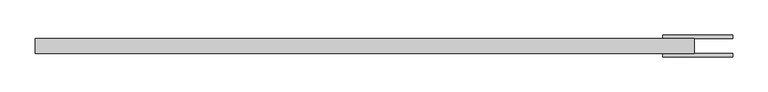
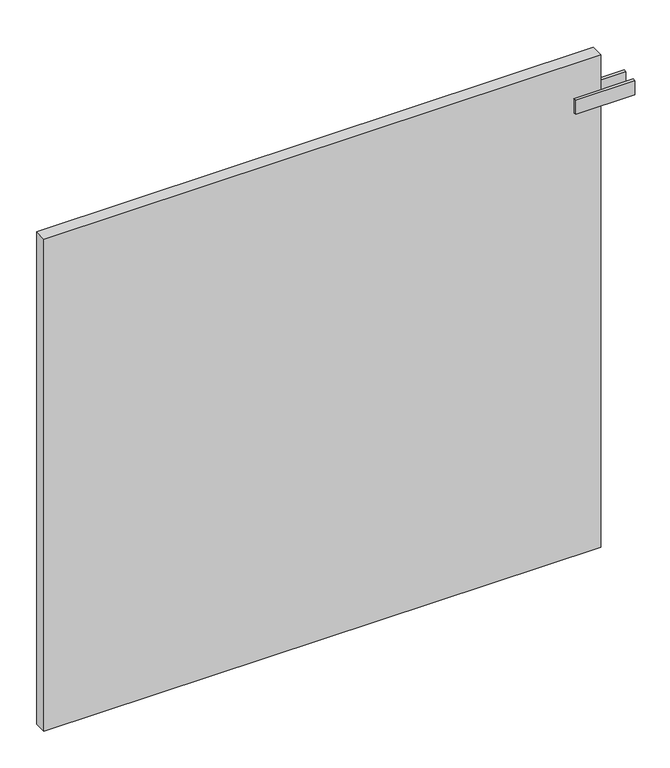
"""IFC4 building model written with IfcOpenShell, lengths in millimetres: plate geometry."""

from ifc_helpers import new_model, si_unit, frame, origin, origin_with_axes, place, context, project, spatial, polyline, outline, extrude, source, transform, mapped, element, save


def plate_0f5fac84(model_context):
    return source(origin(), model_context, "Body", "SweptSolid", [
        extrude(outline(polyline([(425.0000001, -15.75), (425.0000001, -10.75), (525.0000001, -10.75), (525.0000001, -15.75), (425.0000001, -15.75)])), frame((0.0, 0.0, 791.5), z_axis=(0.0, 0.0, 1.0), x_axis=(1.0, 0.0, 0.0)), (0.0, 0.0, 1.0), 25.0),
        extrude(outline(polyline([(425.0000001, 15.75), (525.0000001, 15.75), (525.0000001, 10.75), (425.0000001, 10.75), (425.0000001, 15.75)])), frame((0.0, 0.0, 791.5), z_axis=(0.0, 0.0, 1.0), x_axis=(1.0, 0.0, 0.0)), (0.0, 0.0, 1.0), 25.0),
        extrude(outline(polyline([(470.0000001, 10.75), (470.0000001, -10.75), (-470.0000001, -10.75), (-470.0000001, 10.75), (470.0000001, 10.75)])), origin_with_axes(), (0.0, 0.0, 1.0), 879.0),
    ])


if __name__ == "__main__":
    model = new_model("IFC4")
    model_context = context("Model", 3, world=origin())
    ifc_project = project(units=[si_unit("LENGTHUNIT", "METRE", prefix="MILLI")], contexts=[model_context])
    site = spatial("IfcSite", under=ifc_project)
    building = spatial("IfcBuilding", under=site)
    placement = place(None, origin())
    plate_shape = plate_0f5fac84(model_context)
    element("IfcPlate", 1, at=placement, inside=building, context=model_context, shape_type="MappedRepresentation", body=[
        mapped(plate_shape, transform((0.0, 0.0, 0.0), x_axis=(1.0, 0.0, 0.0), y_axis=(0.0, 1.0, 0.0), z_axis=(0.0, 0.0, 1.0))),
    ])
    save(model, "model.ifc")
